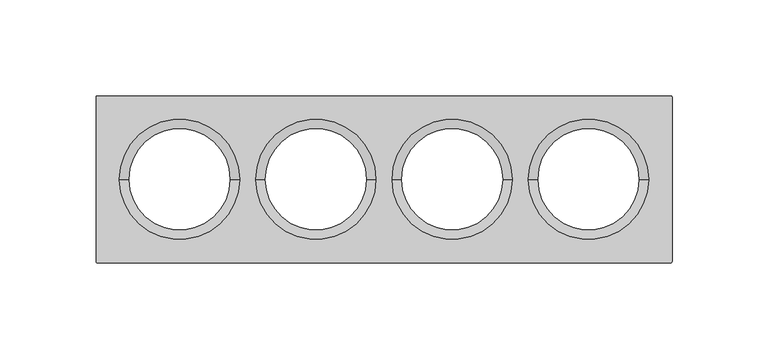
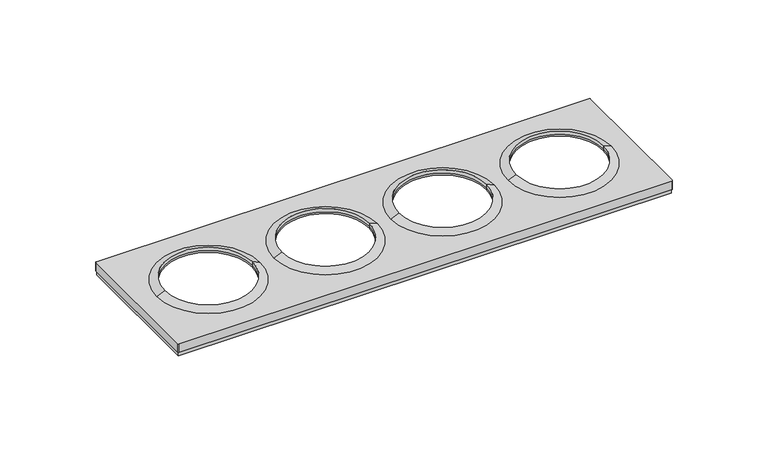
"""IFC4 building model written with IfcOpenShell, lengths in millimetres: proxy geometry."""

from ifc_helpers import new_model, si_unit, frame, origin, place, context, project, spatial, polyline, circle_curve, source, transform, mapped, element, save
from ifc_brep_helpers import plane_surface, cylinder_surface, revolved_surface, advanced_brep


def electrical_fixtures_bb35dda3(model_context):
    return source(origin(), model_context, "Body", "AdvancedBrep", [
        advanced_brep(
        [(75.2158437, 0.0, 8.0076008), (80.0, 0.0, 10.1), (133.0, 0.0, 10.1), (137.7841563, 0.0, 8.0076008), (80.0, 0.0, 8.0076008), (133.0, 0.0, 8.0076008), (133.0, 0.0, 6.7956384), (80.0, 0.0, 6.7956384), (-150.0, -42.9369707, 8.0076008), (-149.4369707, -43.5, 8.0076008), (149.4369707, -43.5, 8.0076008), (150.0, -42.9369707, 8.0076008), (150.0, 42.9369707, 8.0076008), (149.4369707, 43.5, 8.0076008), (-149.4369707, 43.5, 8.0076008), (-150.0, 42.9369707, 8.0076008), (-137.7841563, 0.0, 8.0076008), (-75.2158437, 0.0, 8.0076008), (4.2158437, 0.0, 8.0076008), (66.7841563, 0.0, 8.0076008), (-66.7841563, 0.0, 8.0076008), (-4.2158437, 0.0, 8.0076008), (-150.0, -42.9369707, 2.5), (-150.0, 42.9369707, 2.5), (-149.4369707, 43.5, 2.5), (149.4369707, 43.5, 2.5), (150.0, 42.9369707, 2.5), (150.0, -42.9369707, 2.5), (149.4369707, -43.5, 2.5), (-149.4369707, -43.5, 2.5), (-149.5, -43.0, 2.5), (149.5, -43.0, 2.5), (149.5, 43.0, 2.5), (-149.5, 43.0, 2.5), (-133.0, 0.0, 10.1), (-80.0, 0.0, 10.1), (-133.0, 0.0, 8.0076008), (-80.0, 0.0, 8.0076008), (-149.5, -43.0, 0.0), (-149.5, 43.0, 0.0), (149.5, 43.0, 0.0), (149.5, -43.0, 0.0), (-149.0, -42.5, 0.0), (149.0, -42.5, 0.0), (149.0, 42.5, 0.0), (-149.0, 42.5, 0.0), (-80.0, 0.0, 6.7956384), (-133.0, 0.0, 6.7956384), (149.0, 42.5, 6.7956384), (149.0, -42.5, 6.7956384), (-149.0, -42.5, 6.7956384), (-149.0, 42.5, 6.7956384), (-9.0, 0.0, 6.7956384), (-62.0, 0.0, 6.7956384), (62.0, 0.0, 6.7956384), (9.0, 0.0, 6.7956384), (-62.0, 0.0, 10.1), (-9.0, 0.0, 10.1), (-62.0, 0.0, 8.0076008), (-9.0, 0.0, 8.0076008), (9.0, 0.0, 10.1), (62.0, 0.0, 10.1), (9.0, 0.0, 8.0076008), (62.0, 0.0, 8.0076008)],
        [
            (0, 1),
            (1, 2, circle_curve(frame((106.5, 0.0, 10.1), z_axis=(0.0, 0.0, -1.0), x_axis=(-1.0, 0.0, 0.0)), 26.5)),
            (2, 3),
            (3, 0, circle_curve(frame((106.5, 0.0, 8.0076008), z_axis=(0.0, 0.0, 1.0), x_axis=(-1.0, 0.0, 0.0)), 31.2841563)),
            (0, 3, circle_curve(frame((106.5, 0.0, 8.0076008), z_axis=(0.0, 0.0, 1.0), x_axis=(-1.0, 0.0, 0.0)), 31.2841563)),
            (2, 1, circle_curve(frame((106.5, 0.0, 10.1), z_axis=(0.0, 0.0, -1.0), x_axis=(-1.0, 0.0, 0.0)), 26.5)),
            (1, 4),
            (4, 5, circle_curve(frame((106.5, 0.0, 8.0076008), z_axis=(0.0, 0.0, -1.0), x_axis=(-1.0, 0.0, 0.0)), 26.5)),
            (5, 2),
            (5, 4, circle_curve(frame((106.5, 0.0, 8.0076008), z_axis=(0.0, 0.0, -1.0), x_axis=(-1.0, 0.0, 0.0)), 26.5)),
            (6, 5),
            (4, 7),
            (7, 6, circle_curve(frame((106.5, 0.0, 6.7956384), z_axis=(0.0, 0.0, -1.0), x_axis=(-1.0, 0.0, 0.0)), 26.5)),
            (6, 7, circle_curve(frame((106.5, 0.0, 6.7956384), z_axis=(0.0, 0.0, -1.0), x_axis=(-1.0, 0.0, 0.0)), 26.5)),
            (8, 9, circle_curve(frame((-149.4369707, -42.9369707, 8.0076008), z_axis=(0.0, 0.0, 1.0), x_axis=(1.0, 0.0, 0.0)), 0.5630293)),
            (9, 10),
            (10, 11, circle_curve(frame((149.4369707, -42.9369707, 8.0076008), z_axis=(0.0, 0.0, 1.0), x_axis=(-1.0, 0.0, 0.0)), 0.5630293)),
            (11, 12),
            (12, 13, circle_curve(frame((149.4369707, 42.9369707, 8.0076008), z_axis=(0.0, 0.0, 1.0), x_axis=(-1.0, 0.0, 0.0)), 0.5630293)),
            (13, 14),
            (14, 15, circle_curve(frame((-149.4369707, 42.9369707, 8.0076008), z_axis=(0.0, 0.0, 1.0), x_axis=(1.0, 0.0, 0.0)), 0.5630293)),
            (15, 8),
            (16, 17, circle_curve(frame((-106.5, 0.0, 8.0076008), z_axis=(0.0, 0.0, -1.0), x_axis=(-1.0, 0.0, 0.0)), 31.2841563)),
            (17, 16, circle_curve(frame((-106.5, 0.0, 8.0076008), z_axis=(0.0, 0.0, -1.0), x_axis=(-1.0, 0.0, 0.0)), 31.2841563)),
            (18, 19, circle_curve(frame((35.5, 0.0, 8.0076008), z_axis=(0.0, 0.0, -1.0), x_axis=(-1.0, 0.0, 0.0)), 31.2841563)),
            (19, 18, circle_curve(frame((35.5, 0.0, 8.0076008), z_axis=(0.0, 0.0, -1.0), x_axis=(-1.0, 0.0, 0.0)), 31.2841563)),
            (20, 21, circle_curve(frame((-35.5, 0.0, 8.0076008), z_axis=(0.0, 0.0, -1.0), x_axis=(-1.0, 0.0, 0.0)), 31.2841563)),
            (21, 20, circle_curve(frame((-35.5, 0.0, 8.0076008), z_axis=(0.0, 0.0, -1.0), x_axis=(-1.0, 0.0, 0.0)), 31.2841563)),
            (22, 23),
            (23, 24, circle_curve(frame((-149.4369707, 42.9369707, 2.5), z_axis=(0.0, 0.0, -1.0), x_axis=(1.0, 0.0, 0.0)), 0.5630293)),
            (24, 25),
            (25, 26, circle_curve(frame((149.4369707, 42.9369707, 2.5), z_axis=(0.0, 0.0, -1.0), x_axis=(-1.0, 0.0, 0.0)), 0.5630293)),
            (26, 27),
            (27, 28, circle_curve(frame((149.4369707, -42.9369707, 2.5), z_axis=(0.0, 0.0, -1.0), x_axis=(-1.0, 0.0, 0.0)), 0.5630293)),
            (28, 29),
            (29, 22, circle_curve(frame((-149.4369707, -42.9369707, 2.5), z_axis=(0.0, 0.0, -1.0), x_axis=(1.0, 0.0, 0.0)), 0.5630293)),
            (30, 31),
            (31, 32),
            (32, 33),
            (33, 30),
            (8, 22),
            (29, 9),
            (28, 10),
            (27, 11),
            (26, 12),
            (25, 13),
            (24, 14),
            (23, 15),
            (16, 34),
            (34, 35, circle_curve(frame((-106.5, 0.0, 10.1), z_axis=(0.0, 0.0, -1.0), x_axis=(-1.0, 0.0, 0.0)), 26.5)),
            (35, 17),
            (35, 34, circle_curve(frame((-106.5, 0.0, 10.1), z_axis=(0.0, 0.0, -1.0), x_axis=(-1.0, 0.0, 0.0)), 26.5)),
            (34, 36),
            (36, 37, circle_curve(frame((-106.5, 0.0, 8.0076008), z_axis=(0.0, 0.0, -1.0), x_axis=(-1.0, 0.0, 0.0)), 26.5)),
            (37, 35),
            (37, 36, circle_curve(frame((-106.5, 0.0, 8.0076008), z_axis=(0.0, 0.0, -1.0), x_axis=(-1.0, 0.0, 0.0)), 26.5)),
            (38, 39),
            (39, 40),
            (40, 41),
            (41, 38),
            (42, 43),
            (43, 44),
            (44, 45),
            (45, 42),
            (41, 31),
            (30, 38),
            (40, 32),
            (39, 33),
            (46, 37),
            (36, 47),
            (47, 46, circle_curve(frame((-106.5, 0.0, 6.7956384), z_axis=(0.0, 0.0, -1.0), x_axis=(-1.0, 0.0, 0.0)), 26.5)),
            (46, 47, circle_curve(frame((-106.5, 0.0, 6.7956384), z_axis=(0.0, 0.0, -1.0), x_axis=(-1.0, 0.0, 0.0)), 26.5)),
            (48, 49),
            (49, 50),
            (50, 51),
            (51, 48),
            (52, 53, circle_curve(frame((-35.5, 0.0, 6.7956384), z_axis=(0.0, 0.0, 1.0), x_axis=(-1.0, 0.0, 0.0)), 26.5)),
            (53, 52, circle_curve(frame((-35.5, 0.0, 6.7956384), z_axis=(0.0, 0.0, 1.0), x_axis=(-1.0, 0.0, 0.0)), 26.5)),
            (54, 55, circle_curve(frame((35.5, 0.0, 6.7956384), z_axis=(0.0, 0.0, 1.0), x_axis=(-1.0, 0.0, 0.0)), 26.5)),
            (55, 54, circle_curve(frame((35.5, 0.0, 6.7956384), z_axis=(0.0, 0.0, 1.0), x_axis=(-1.0, 0.0, 0.0)), 26.5)),
            (51, 45),
            (44, 48),
            (50, 42),
            (49, 43),
            (20, 56),
            (56, 57, circle_curve(frame((-35.5, 0.0, 10.1), z_axis=(0.0, 0.0, -1.0), x_axis=(-1.0, 0.0, 0.0)), 26.5)),
            (57, 21),
            (57, 56, circle_curve(frame((-35.5, 0.0, 10.1), z_axis=(0.0, 0.0, -1.0), x_axis=(-1.0, 0.0, 0.0)), 26.5)),
            (56, 58),
            (58, 59, circle_curve(frame((-35.5, 0.0, 8.0076008), z_axis=(0.0, 0.0, -1.0), x_axis=(-1.0, 0.0, 0.0)), 26.5)),
            (59, 57),
            (59, 58, circle_curve(frame((-35.5, 0.0, 8.0076008), z_axis=(0.0, 0.0, -1.0), x_axis=(-1.0, 0.0, 0.0)), 26.5)),
            (52, 59),
            (58, 53),
            (18, 60),
            (60, 61, circle_curve(frame((35.5, 0.0, 10.1), z_axis=(0.0, 0.0, -1.0), x_axis=(-1.0, 0.0, 0.0)), 26.5)),
            (61, 19),
            (61, 60, circle_curve(frame((35.5, 0.0, 10.1), z_axis=(0.0, 0.0, -1.0), x_axis=(-1.0, 0.0, 0.0)), 26.5)),
            (60, 62),
            (62, 63, circle_curve(frame((35.5, 0.0, 8.0076008), z_axis=(0.0, 0.0, -1.0), x_axis=(-1.0, 0.0, 0.0)), 26.5)),
            (63, 61),
            (63, 62, circle_curve(frame((35.5, 0.0, 8.0076008), z_axis=(0.0, 0.0, -1.0), x_axis=(-1.0, 0.0, 0.0)), 26.5)),
            (54, 63),
            (62, 55),
        ],
        [
            revolved_surface(polyline([(80.0, 0.0, 10.1), (75.2158437, 0.0, 8.0076008)]), (106.5, 0.0, 2609.0581012), (0.0, 0.0, -1.0)),
            revolved_surface(polyline([(80.0, 0.0, 8.007600800000091), (80.0, 0.0, 10.099999999999909)]), (106.5, 0.0, 2609.0581012), (0.0, 0.0, -1.0)),
            revolved_surface(polyline([(80.0, 0.0, 8.0076008), (80.0, 0.0, 6.7956384)]), (106.5, 0.0, 0.0), (0.0, 0.0, 1.0)),
            plane_surface(frame((-148.8739414, -42.9369707, 8.0076008), z_axis=(0.0, 0.0, 1.0), x_axis=(0.0, 1.0, 0.0))),
            plane_surface(frame((-148.8739414, -42.9369707, 2.5), z_axis=(0.0, 0.0, -1.0), x_axis=(0.0, -1.0, 0.0))),
            cylinder_surface(frame((-149.4369707, -42.9369707, 2.5), z_axis=(0.0, 0.0, 1.0), x_axis=(1.0, 0.0, 0.0)), 0.5630293),
            plane_surface(frame((-149.4369707, -43.5, 8.0076008), z_axis=(0.0, -1.0, 0.0), x_axis=(0.0, 0.0, -1.0))),
            cylinder_surface(frame((149.4369707, -42.9369707, 2.5), z_axis=(0.0, 0.0, 1.0), x_axis=(-1.0, 0.0, 0.0)), 0.5630293),
            plane_surface(frame((150.0, -42.9369707, 8.0076008), z_axis=(1.0, 0.0, 0.0), x_axis=(0.0, 0.0, -1.0))),
            cylinder_surface(frame((149.4369707, 42.9369707, 2.5), z_axis=(0.0, 0.0, 1.0), x_axis=(-1.0, 0.0, 0.0)), 0.5630293),
            plane_surface(frame((149.4369707, 43.5, 8.0076008), z_axis=(0.0, 1.0, 0.0), x_axis=(0.0, 0.0, -1.0))),
            cylinder_surface(frame((-149.4369707, 42.9369707, 2.5), z_axis=(0.0, 0.0, 1.0), x_axis=(1.0, 0.0, 0.0)), 0.5630293),
            plane_surface(frame((-150.0, 42.9369707, 8.0076008), z_axis=(-1.0, 0.0, 0.0), x_axis=(0.0, 0.0, -1.0))),
            revolved_surface(polyline([(-133.0, 0.0, 10.1), (-137.7841563, 0.0, 8.0076008)]), (-106.5, 0.0, 2609.0581012), (0.0, 0.0, -1.0)),
            revolved_surface(polyline([(-133.0, 0.0, 8.007600800000091), (-133.0, 0.0, 10.099999999999909)]), (-106.5, 0.0, 2609.0581012), (0.0, 0.0, -1.0)),
            plane_surface(frame((-43.0003046, -43.0, 0.0), z_axis=(0.0, 0.0, -1.0), x_axis=(-1.0, 0.0, 0.0))),
            plane_surface(frame((-149.5, -43.0, 2.5), z_axis=(0.0, -1.0, 0.0), x_axis=(0.0, 0.0, -1.0))),
            plane_surface(frame((149.5, -43.0, 2.5), z_axis=(1.0, 0.0, 0.0), x_axis=(0.0, 0.0, -1.0))),
            plane_surface(frame((149.5, 43.0, 2.5), z_axis=(0.0, 1.0, 0.0), x_axis=(0.0, 0.0, -1.0))),
            plane_surface(frame((-149.5, 43.0, 2.5), z_axis=(-1.0, 0.0, 0.0), x_axis=(0.0, 0.0, -1.0))),
            revolved_surface(polyline([(-133.0, 0.0, 8.0076008), (-133.0, 0.0, 6.7956384)]), (-106.5, 0.0, 0.0), (0.0, 0.0, 1.0)),
            plane_surface(frame((-42.5, 42.5, 6.7956384), z_axis=(0.0, 0.0, -1.0), x_axis=(-1.0, 0.0, 0.0))),
            plane_surface(frame((149.0, 42.5, 6.7956384), z_axis=(0.0, -1.0, 0.0), x_axis=(0.0, 0.0, -1.0))),
            plane_surface(frame((-149.0, 42.5, 6.7956384), z_axis=(1.0, 0.0, 0.0), x_axis=(0.0, 0.0, -1.0))),
            plane_surface(frame((-149.0, -42.5, 6.7956384), z_axis=(0.0, 1.0, 0.0), x_axis=(0.0, 0.0, -1.0))),
            plane_surface(frame((149.0, -42.5, 6.7956384), z_axis=(-1.0, 0.0, 0.0), x_axis=(0.0, 0.0, -1.0))),
            revolved_surface(polyline([(-62.0, 0.0, 10.1), (-66.7841563, 0.0, 8.0076008)]), (-35.5, 0.0, 2609.0581012), (0.0, 0.0, -1.0)),
            revolved_surface(polyline([(-62.0, 0.0, 8.007600800000091), (-62.0, 0.0, 10.099999999999909)]), (-35.5, 0.0, 2609.0581012), (0.0, 0.0, -1.0)),
            revolved_surface(polyline([(-62.0, 0.0, 8.0076008), (-62.0, 0.0, 6.7956384)]), (-35.5, 0.0, 0.0), (0.0, 0.0, 1.0)),
            revolved_surface(polyline([(9.0, 0.0, 10.1), (4.2158437, 0.0, 8.0076008)]), (35.5, 0.0, 2609.0581012), (0.0, 0.0, -1.0)),
            revolved_surface(polyline([(9.0, 0.0, 8.007600800000091), (9.0, 0.0, 10.099999999999909)]), (35.5, 0.0, 2609.0581012), (0.0, 0.0, -1.0)),
            revolved_surface(polyline([(9.0, 0.0, 8.0076008), (9.0, 0.0, 6.7956384)]), (35.5, 0.0, 0.0), (0.0, 0.0, 1.0)),
        ],
        [
            (0, [[1, 2, 3, 4]]),
            (0, [[-1, 5, -3, 6]]),
            (1, [[-2, 7, 8, 9]]),
            (1, [[-6, -9, 10, -7]]),
            (2, [[11, -8, 12, 13]]),
            (2, [[-11, 14, -12, -10]]),
            (3, [[15, 16, 17, 18, 19, 20, 21, 22], [-4, -5], [23, 24], [25, 26], [27, 28]]),
            (4, [[29, 30, 31, 32, 33, 34, 35, 36], [37, 38, 39, 40]]),
            (5, [[-15, 41, -36, 42]]),
            (6, [[-16, -42, -35, 43]]),
            (7, [[-17, -43, -34, 44]]),
            (8, [[-18, -44, -33, 45]]),
            (9, [[-19, -45, -32, 46]]),
            (10, [[-20, -46, -31, 47]]),
            (11, [[-21, -47, -30, 48]]),
            (12, [[-22, -48, -29, -41]]),
            (13, [[49, 50, 51, -23]]),
            (13, [[-49, -24, -51, 52]]),
            (14, [[-50, 53, 54, 55]]),
            (14, [[-52, -55, 56, -53]]),
            (15, [[57, 58, 59, 60], [61, 62, 63, 64]]),
            (16, [[-60, 65, -37, 66]]),
            (17, [[-59, 67, -38, -65]]),
            (18, [[-58, 68, -39, -67]]),
            (19, [[-57, -66, -40, -68]]),
            (20, [[69, -54, 70, 71]]),
            (20, [[-69, 72, -70, -56]]),
            (21, [[73, 74, 75, 76], [-13, -14], [-71, -72], [77, 78], [79, 80]]),
            (22, [[-76, 81, -63, 82]]),
            (23, [[-75, 83, -64, -81]]),
            (24, [[-74, 84, -61, -83]]),
            (25, [[-73, -82, -62, -84]]),
            (26, [[85, 86, 87, -27]]),
            (26, [[-85, -28, -87, 88]]),
            (27, [[-86, 89, 90, 91]]),
            (27, [[-88, -91, 92, -89]]),
            (28, [[93, -90, 94, -77]]),
            (28, [[-93, -78, -94, -92]]),
            (29, [[95, 96, 97, -25]]),
            (29, [[-95, -26, -97, 98]]),
            (30, [[-96, 99, 100, 101]]),
            (30, [[-98, -101, 102, -99]]),
            (31, [[103, -100, 104, -79]]),
            (31, [[-103, -80, -104, -102]]),
        ],
    ),
    ])


if __name__ == "__main__":
    model = new_model("IFC4")
    model_context = context("Model", 3, world=origin())
    ifc_project = project(units=[si_unit("LENGTHUNIT", "METRE", prefix="MILLI")], contexts=[model_context])
    site = spatial("IfcSite", under=ifc_project)
    building = spatial("IfcBuilding", under=site)
    placement = place(None, origin())
    electrical_fixtures_shape = electrical_fixtures_bb35dda3(model_context)
    element("IfcBuildingElementProxy", 1, Name="Electrical Fixtures", at=placement, inside=building, context=model_context, shape_type="MappedRepresentation", body=[
        mapped(electrical_fixtures_shape, transform((0.0, 0.0, 0.0), x_axis=(1.0, 0.0, 0.0), y_axis=(0.0, 1.0, 0.0), z_axis=(0.0, 0.0, 1.0))),
    ])
    save(model, "model.ifc")
